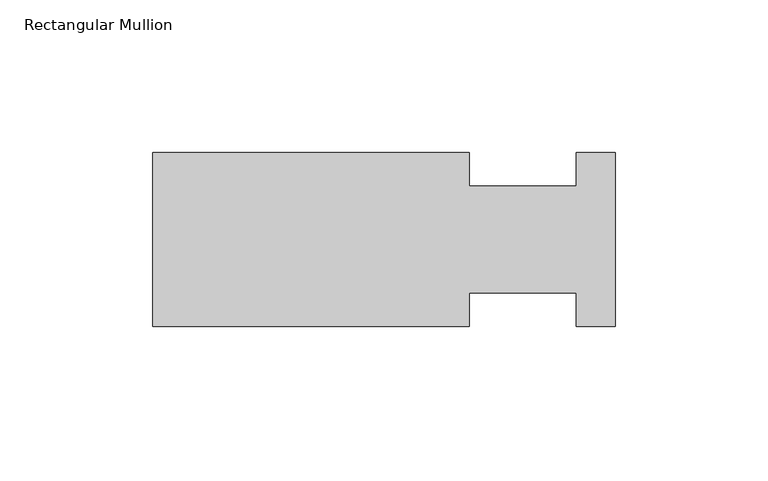
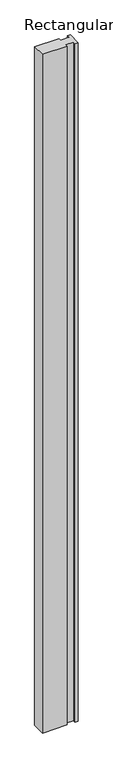
"""IFC4 building model written with IfcOpenShell, lengths in millimetres: member geometry, Rectangular Mullion."""

from ifc_helpers import new_model, si_unit, frame, origin, place, context, project, spatial, polyline, outline, extrude, source, transform, mapped, element, save


def rectangular_mullion_02438969(model_context):
    return source(origin(), model_context, "Body", "SweptSolid", [
        extrude(outline(polyline([(0.0, -29.0155975), (-12.8672883, -29.0155975), (-12.8672883, -17.9030975), (-47.8282, -17.9030975), (-47.8282, -29.0155975), (-151.6888, -29.0155975), (-151.6888, 28.1344025), (-47.8282, 28.1344025), (-47.8282, 17.0219025), (-12.8672883, 17.0219025), (-12.8672883, 28.1344025), (0.0, 28.1344025), (0.0, -29.0155975)])), frame((0.0, 0.0, -3048.0), z_axis=(0.0, 0.0, 1.0), x_axis=(1.0, 0.0, 0.0)), (0.0, 0.0, 1.0), 3048.0),
    ])


if __name__ == "__main__":
    model = new_model("IFC4")
    model_context = context("Model", 3, world=origin())
    ifc_project = project(units=[si_unit("LENGTHUNIT", "METRE", prefix="MILLI")], contexts=[model_context])
    site = spatial("IfcSite", under=ifc_project)
    building = spatial("IfcBuilding", under=site)
    placement = place(None, origin())
    rectangular_mullion_shape = rectangular_mullion_02438969(model_context)
    element("IfcMember", 1, ObjectType="Rectangular Mullion", at=placement, inside=building, context=model_context, shape_type="MappedRepresentation", body=[
        mapped(rectangular_mullion_shape, transform((0.0, 0.0, 0.0), x_axis=(1.0, 0.0, 0.0), y_axis=(0.0, 1.0, 0.0), z_axis=(0.0, 0.0, 1.0))),
    ])
    save(model, "model.ifc")
